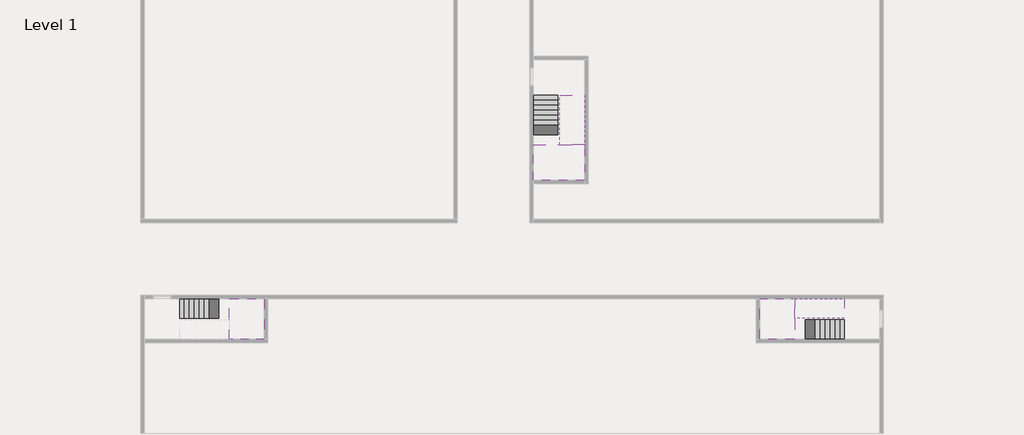
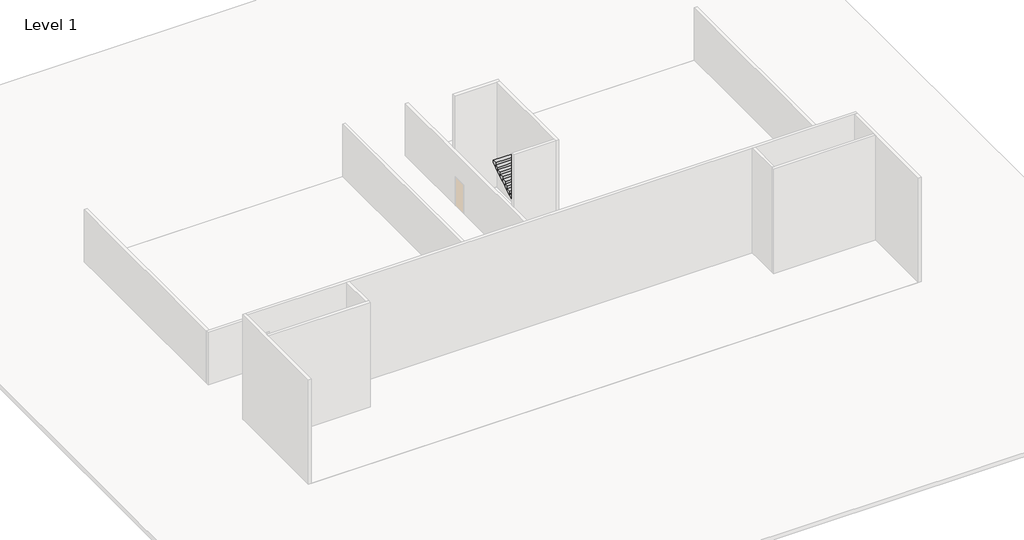
# One storey, part 2 of 2: 5 stair flights, 3 slabs.
"""IFC4 building model written with IfcOpenShell, lengths in millimetres."""

import ifcopenshell
import ifcopenshell.guid

model = None  # the IFC model being written
_history = None  # IfcOwnerHistory: only IFC2X3 demands one
_inside = {}  # id of a spatial element -> (the spatial element, [elements in it])
_under = {}  # id of a project, library or spatial element -> (it, [spatial elements below it])
_declared = {}  # id of a project -> (the project, [libraries it declares])
_typed = {}  # id of a type object -> (the type object, [elements of that type])
_made_of = {}  # id of a material, layer set ... -> (it, [elements and type objects made of it])


def new_model(schema):
    """Start an empty IFC model of exactly this schema.

    Asked for "IFC4X3", IfcOpenShell would pick the latest addendum, in which some entities
    have other attributes; the version numbers below select the first issue.
    IFC2X3 requires an IfcOwnerHistory on every rooted entity: one is made here for all.
    """
    global model, _history
    if schema == "IFC4X3":
        model = ifcopenshell.file(schema_version=(4, 3, 0, 0))
    else:
        model = ifcopenshell.file(schema=schema)
    _inside.clear()
    _under.clear()
    _declared.clear()
    _typed.clear()
    _made_of.clear()
    _history = None
    if model.schema == "IFC2X3":
        org = make("IfcOrganization", Name="unknown")
        user = make(
            "IfcPersonAndOrganization",
            ThePerson=make("IfcPerson", FamilyName="unknown"),
            TheOrganization=org,
        )
        app = make(
            "IfcApplication",
            ApplicationDeveloper=org,
            Version="unknown",
            ApplicationFullName="unknown",
            ApplicationIdentifier="unknown",
        )
        _history = make(
            "IfcOwnerHistory",
            OwningUser=user,
            OwningApplication=app,
            ChangeAction="ADDED",
            CreationDate=0,
        )
    return model


def make(cls, **values):
    """One entity of the class cls with the attributes given. An attribute that is None is left unset."""
    return model.create_entity(
        cls, **{name: value for name, value in values.items() if value is not None}
    )


def rooted(cls, **values):
    """An entity with a GlobalId (a new one), such as an element, a storey or a relation."""
    return make(cls, GlobalId=ifcopenshell.guid.new(), OwnerHistory=_history, **values)


def si_unit(unit_type, name, prefix=None):
    """IfcSIUnit, for example si_unit("LENGTHUNIT", "METRE", prefix="MILLI")."""
    return make("IfcSIUnit", UnitType=unit_type, Prefix=prefix, Name=name)


def assignment(units):
    """IfcUnitAssignment: the units of a project."""
    return None if units is None else make("IfcUnitAssignment", Units=units)


def point(xyz):
    """IfcCartesianPoint."""
    return None if xyz is None else make("IfcCartesianPoint", Coordinates=xyz)


def direction(xyz):
    """IfcDirection."""
    return None if xyz is None else make("IfcDirection", DirectionRatios=xyz)


def frame(location, z_axis=None, x_axis=None):
    """IfcAxis2Placement3D, a coordinate frame: its origin and axes. An axis left out is left unset."""
    return make(
        "IfcAxis2Placement3D",
        Location=point(location),
        Axis=direction(z_axis),
        RefDirection=direction(x_axis),
    )


def origin():
    """The frame at (0, 0, 0) with its axes left unset."""
    return frame((0.0, 0.0, 0.0))


def place(relative_to, where):
    """IfcLocalPlacement: puts the frame where relative to a parent placement (None: the world)."""
    return make(
        "IfcLocalPlacement", PlacementRelTo=relative_to, RelativePlacement=where
    )


def context(
    kind, dimensions, precision=None, world=None, true_north=None, identifier=None
):
    """IfcGeometricRepresentationContext, for example the 3D "Model" context."""
    return make(
        "IfcGeometricRepresentationContext",
        ContextIdentifier=identifier,
        ContextType=kind,
        CoordinateSpaceDimension=dimensions,
        Precision=precision,
        WorldCoordinateSystem=world,
        TrueNorth=true_north,
    )


def project(units=None, contexts=None):
    """IfcProject with its units and contexts."""
    return rooted(
        "IfcProject",
        Name="project",
        RepresentationContexts=contexts,
        UnitsInContext=assignment(units),
    )


def spatial(cls, under=None, at=None, **own):
    """A site, building, storey or space (cls), placed at a placement, below another one or the project."""
    s = rooted(cls, ObjectPlacement=at, **own)
    if under is not None:
        _under.setdefault(under.id(), (under, []))[1].append(s)
    return s


def faces_of(points, faces, orient=None, outer=None):
    """IfcFace entities. A face is a list of loops; a loop is a list of indices into points, from 0.

    orient and outer hold one flag for each loop. By default every Orientation is true, the
    first loop of a face is its IfcFaceOuterBound and the others are IfcFaceBound.
    """
    made = []
    for i, loops in enumerate(faces):
        bounds = []
        for j, loop in enumerate(loops):
            is_outer = j == 0 if outer is None else outer[i][j]
            bounds.append(
                make(
                    "IfcFaceOuterBound" if is_outer else "IfcFaceBound",
                    Bound=make("IfcPolyLoop", Polygon=[points[k] for k in loop]),
                    Orientation=True if orient is None else orient[i][j],
                )
            )
        made.append(make("IfcFace", Bounds=bounds))
    return made


def faceted_brep(points, faces, orient=None, outer=None, voids=None):
    """IfcFacetedBrep: a solid bounded by flat faces; with voids (closed shells), ...WithVoids."""
    shared = [point(p) for p in points]
    hull = make("IfcClosedShell", CfsFaces=faces_of(shared, faces, orient, outer))
    if voids is None:
        return make("IfcFacetedBrep", Outer=hull)
    return make(
        "IfcFacetedBrepWithVoids",
        Outer=hull,
        Voids=[
            make(cls, CfsFaces=faces_of(shared, fs, o, b)) for cls, fs, o, b in voids
        ],
    )


def shape(context_of_items, identifier, shape_type, items):
    """IfcShapeRepresentation: the items that make up one representation, for example the "Body"."""
    return make(
        "IfcShapeRepresentation",
        ContextOfItems=context_of_items,
        RepresentationIdentifier=identifier,
        RepresentationType=shape_type,
        Items=items,
    )


def made_of(thing, what):
    """Note that an element or type object is made of a material, layer set ...; save() writes the relation."""
    if what is not None:
        _made_of.setdefault(what.id(), (what, []))[1].append(thing)
    return thing


def element(
    cls,
    number,
    at=None,
    inside=None,
    cuts=None,
    type_object=None,
    material=None,
    context=None,
    identifier="Body",
    shape_type=None,
    held_by="IfcProductDefinitionShape",
    body=None,
    shapes=None,
    **own,
):
    """One element of the class cls, such as IfcWall. Its Tag is "e" and its number.

    at: its placement. inside: the storey or other place that contains it. cuts: it is an
    opening in that element (IfcRelVoidsElement). A single representation is given by context,
    identifier, shape_type and body (its items); several are given by shapes. held_by: the class
    of the entity that holds the representations. save() writes the other relations.
    """
    e = rooted(cls, Tag="e%d" % number, ObjectPlacement=at, **own)
    if body is not None:
        shapes = [shape(context, identifier, shape_type, body)]
    if shapes is not None:
        e.Representation = make(held_by, Representations=shapes)
    if inside is not None:
        _inside.setdefault(inside.id(), (inside, []))[1].append(e)
    if cuts is not None:
        rooted(
            "IfcRelVoidsElement", RelatingBuildingElement=cuts, RelatedOpeningElement=e
        )
    if type_object is not None:
        _typed.setdefault(type_object.id(), (type_object, []))[1].append(e)
    return made_of(e, material)


def aggregate(whole, parts):
    """IfcRelAggregates: a whole, such as a stair, and the parts it consists of."""
    return rooted("IfcRelAggregates", RelatingObject=whole, RelatedObjects=parts)


def save(model, path):
    """Write the relations noted so far, then the file.

    IfcRelAggregates (storeys below a building ...), IfcRelContainedInSpatialStructure (elements
    in a storey), IfcRelDefinesByType, IfcRelAssociatesMaterial and IfcRelDeclares: one each for
    every whole, place, type object, material and project.
    """
    for whole, parts in _under.values():
        aggregate(whole, parts)
    for where, things in _inside.values():
        rooted(
            "IfcRelContainedInSpatialStructure",
            RelatedElements=things,
            RelatingStructure=where,
        )
    for kind, things in _typed.values():
        rooted("IfcRelDefinesByType", RelatedObjects=things, RelatingType=kind)
    for what, things in _made_of.values():
        rooted("IfcRelAssociatesMaterial", RelatedObjects=things, RelatingMaterial=what)
    for by, libraries in _declared.values():
        rooted("IfcRelDeclares", RelatingContext=by, RelatedDefinitions=libraries)
    model.write(path)


model = new_model("IFC4")

# Units and contexts
model_context = context("Model", 3, world=origin())
ifc_project = project(units=[si_unit("LENGTHUNIT", "METRE", prefix="MILLI")], contexts=[model_context])

# Site, building, storey
site = spatial("IfcSite", under=ifc_project)
building = spatial("IfcBuilding", under=site)
storey = spatial("IfcBuildingStorey", under=building, Name="Level 1", Elevation=0.0)

# Slabs
placement = place(None, origin())
element("IfcSlab", 1, at=placement, inside=storey, context=model_context, shape_type="Brep", body=[
    faceted_brep([(26790.1058784, -34218.09644, 1900.0), (25390.1058784, -34218.09644, 1900.0), (25390.1058784, -34297.4828763, 1900.0), (25390.1058784, -36218.09644, 1900.0), (28290.1058784, -36218.09644, 1900.0), (28290.1058784, -34418.7100038, 1900.0), (28290.1058784, -34218.09644, 1900.0), (26890.1058784, -34218.09644, 1900.0), (26790.1058784, -34218.09644, 1600.0), (26790.1058784, -34218.09644, 1551.0278478), (25390.1058784, -34218.09644, 1551.0278478), (25390.1058784, -34218.09644, 1727.2727273), (25390.1058784, -34297.4828763, 1600.0), (25390.1058784, -36218.09644, 1600.0), (28290.1058784, -36218.09644, 1600.0), (28290.1058784, -34418.7100038, 1600.0), (28290.1058784, -34218.09644, 1723.7551205), (26890.1058784, -34218.09644, 1723.7551205), (26890.1058784, -34218.09644, 1600.0), (26890.1058784, -34418.7100038, 1600.0), (26790.1058784, -34297.4828763, 1600.0)], [[[0, 1, 2, 3, 4, 5, 6, 7]], [[1, 0, 8, 9, 10, 11]], [[1, 11, 10, 12, 13, 3, 2]], [[4, 3, 13, 14]], [[4, 14, 15, 16, 6, 5]], [[7, 6, 16, 17]], [[0, 7, 17, 18, 8]], [[18, 19, 15, 14, 13, 12, 20, 8]], [[19, 18, 17]], [[20, 12, 10, 9]], [[8, 20, 9]], [[15, 19, 17, 16]]]),
])
element("IfcSlab", 2, at=placement, inside=storey, context=model_context, shape_type="Brep", body=[
    faceted_brep([(8190.1058784, -42918.09644, 1900.0), (8190.1058784, -44018.09644, 1900.0), (8190.1058784, -44118.09644, 1900.0), (8190.1058784, -45218.09644, 1900.0), (8390.7194421, -45218.09644, 1900.0), (10190.1058784, -45218.09644, 1900.0), (10190.1058784, -42918.09644, 1900.0), (8269.4923146, -42918.09644, 1900.0), (8190.1058784, -42918.09644, 1727.2727273), (8190.1058784, -42918.09644, 1551.0278478), (8190.1058784, -44018.09644, 1551.0278478), (8190.1058784, -44018.09644, 1600.0), (8190.1058784, -44118.09644, 1600.0), (8190.1058784, -44118.09644, 1723.7551205), (8190.1058784, -45218.09644, 1723.7551205), (8390.7194421, -45218.09644, 1600.0), (10190.1058784, -45218.09644, 1600.0), (10190.1058784, -42918.09644, 1600.0), (8269.4923146, -42918.09644, 1600.0), (8390.7194421, -44118.09644, 1600.0), (8269.4923146, -44018.09644, 1600.0)], [[[0, 1, 2, 3, 4, 5, 6, 7]], [[1, 0, 8, 9, 10, 11]], [[2, 1, 11, 12, 13]], [[3, 2, 13, 14]], [[3, 14, 15, 16, 5, 4]], [[6, 5, 16, 17]], [[9, 8, 0, 7, 6, 17, 18]], [[19, 12, 11, 20, 18, 17, 16, 15]], [[12, 19, 13]], [[18, 20, 10, 9]], [[20, 11, 10]], [[19, 15, 14, 13]]]),
])
element("IfcSlab", 3, at=placement, inside=storey, context=model_context, shape_type="Brep", body=[
    faceted_brep([(40190.1058784, -45218.09644, 1900.0), (40190.1058784, -44118.09644, 1900.0), (40190.1058784, -44018.09644, 1900.0), (40190.1058784, -42918.09644, 1900.0), (39989.4923146, -42918.09644, 1900.0), (38190.1058784, -42918.09644, 1900.0), (38190.1058784, -45218.09644, 1900.0), (40110.7194421, -45218.09644, 1900.0), (40190.1058784, -45218.09644, 1727.2727273), (40190.1058784, -45218.09644, 1551.0278478), (40190.1058784, -44118.09644, 1551.0278478), (40190.1058784, -44118.09644, 1600.0), (40190.1058784, -44018.09644, 1600.0), (40190.1058784, -44018.09644, 1723.7551205), (40190.1058784, -42918.09644, 1723.7551205), (39989.4923146, -42918.09644, 1600.0), (38190.1058784, -42918.09644, 1600.0), (38190.1058784, -45218.09644, 1600.0), (40110.7194421, -45218.09644, 1600.0), (39989.4923146, -44018.09644, 1600.0), (40110.7194421, -44118.09644, 1600.0)], [[[0, 1, 2, 3, 4, 5, 6, 7]], [[1, 0, 8, 9, 10, 11]], [[2, 1, 11, 12, 13]], [[3, 2, 13, 14]], [[3, 14, 15, 16, 5, 4]], [[6, 5, 16, 17]], [[9, 8, 0, 7, 6, 17, 18]], [[19, 12, 11, 20, 18, 17, 16, 15]], [[12, 19, 13]], [[18, 20, 10, 9]], [[20, 11, 10]], [[19, 15, 14, 13]]]),
])

# Stair flights
element("IfcStairFlight", 4, at=placement, inside=storey, context=model_context, shape_type="Brep", body=[
    faceted_brep([(26790.1058784, -31698.09644, 172.7272727), (26790.1058784, -31418.09644, 172.7272727), (25390.1058784, -31418.09644, 172.7272727), (25390.1058784, -31698.09644, 172.7272727), (26790.1058784, -31698.09644, 0.0), (26790.1058784, -31418.09644, 0.0), (25390.1058784, -31418.09644, 0.0), (25390.1058784, -31698.09644, 0.0), (26790.1058784, -31978.09644, 345.4545455), (26790.1058784, -31698.09644, 345.4545455), (25390.1058784, -31698.09644, 345.4545455), (25390.1058784, -31978.09644, 345.4545455), (26790.1058784, -31978.09644, 169.209666), (26790.1058784, -31703.7986657, 0.0), (25390.1058784, -31703.7986657, 0.0), (25390.1058784, -31978.09644, 169.209666), (26790.1058784, -32258.09644, 518.1818182), (26790.1058784, -31978.09644, 518.1818182), (25390.1058784, -31978.09644, 518.1818182), (25390.1058784, -32258.09644, 518.1818182), (26790.1058784, -32258.09644, 341.9369387), (25390.1058784, -32258.09644, 341.9369387), (26790.1058784, -32538.09644, 690.9090909), (26790.1058784, -32258.09644, 690.9090909), (25390.1058784, -32258.09644, 690.9090909), (25390.1058784, -32538.09644, 690.9090909), (26790.1058784, -32538.09644, 514.6642114), (25390.1058784, -32538.09644, 514.6642114), (26790.1058784, -32818.09644, 863.6363636), (26790.1058784, -32538.09644, 863.6363636), (25390.1058784, -32538.09644, 863.6363636), (25390.1058784, -32818.09644, 863.6363636), (26790.1058784, -32818.09644, 687.3914841), (25390.1058784, -32818.09644, 687.3914841), (26790.1058784, -33098.09644, 1036.3636364), (26790.1058784, -32818.09644, 1036.3636364), (25390.1058784, -32818.09644, 1036.3636364), (25390.1058784, -33098.09644, 1036.3636364), (26790.1058784, -33098.09644, 860.1187569), (25390.1058784, -33098.09644, 860.1187569), (26790.1058784, -33378.09644, 1209.0909091), (26790.1058784, -33098.09644, 1209.0909091), (25390.1058784, -33098.09644, 1209.0909091), (25390.1058784, -33378.09644, 1209.0909091), (26790.1058784, -33378.09644, 1032.8460296), (25390.1058784, -33378.09644, 1032.8460296), (26790.1058784, -33658.09644, 1381.8181818), (26790.1058784, -33378.09644, 1381.8181818), (25390.1058784, -33378.09644, 1381.8181818), (25390.1058784, -33658.09644, 1381.8181818), (26790.1058784, -33658.09644, 1205.5733023), (25390.1058784, -33658.09644, 1205.5733023), (26790.1058784, -33938.09644, 1554.5454545), (26790.1058784, -33658.09644, 1554.5454545), (25390.1058784, -33658.09644, 1554.5454545), (25390.1058784, -33938.09644, 1554.5454545), (26790.1058784, -33938.09644, 1378.3005751), (25390.1058784, -33938.09644, 1378.3005751), (26790.1058784, -34218.09644, 1727.2727273), (26790.1058784, -33938.09644, 1727.2727273), (25390.1058784, -33938.09644, 1727.2727273), (25390.1058784, -34218.09644, 1727.2727273), (26790.1058784, -34218.09644, 1600.0), (26790.1058784, -34218.09644, 1551.0278478), (25390.1058784, -34218.09644, 1551.0278478)], [[[0, 1, 2, 3]], [[1, 0, 4, 5]], [[2, 1, 5, 6]], [[3, 2, 6, 7]], [[8, 9, 10, 11]], [[4, 0, 9, 8, 12, 13]], [[0, 3, 10, 9]], [[3, 7, 14, 15, 11, 10]], [[16, 17, 18, 19]], [[17, 16, 20, 12, 8]], [[8, 11, 18, 17]], [[19, 18, 11, 15, 21]], [[22, 23, 24, 25]], [[23, 22, 26, 20, 16]], [[16, 19, 24, 23]], [[25, 24, 19, 21, 27]], [[28, 29, 30, 31]], [[29, 28, 32, 26, 22]], [[22, 25, 30, 29]], [[31, 30, 25, 27, 33]], [[34, 35, 36, 37]], [[35, 34, 38, 32, 28]], [[28, 31, 36, 35]], [[37, 36, 31, 33, 39]], [[40, 41, 42, 43]], [[41, 40, 44, 38, 34]], [[34, 37, 42, 41]], [[43, 42, 37, 39, 45]], [[46, 47, 48, 49]], [[47, 46, 50, 44, 40]], [[40, 43, 48, 47]], [[49, 48, 43, 45, 51]], [[52, 53, 54, 55]], [[53, 52, 56, 50, 46]], [[46, 49, 54, 53]], [[55, 54, 49, 51, 57]], [[58, 59, 60, 61]], [[59, 58, 62, 63, 56, 52]], [[52, 55, 60, 59]], [[61, 60, 55, 57, 64]], [[58, 61, 64, 63, 62]], [[5, 4, 13, 14, 7, 6]], [[14, 13, 12, 20, 26, 32, 38, 44, 50, 56, 63, 64, 57, 51, 45, 39, 33, 27, 21, 15]]]),
])
element("IfcStairFlight", 5, at=placement, inside=storey, context=model_context, shape_type="Brep", body=[
    faceted_brep([(26890.1058784, -33938.09644, 2072.7272727), (26890.1058784, -34218.09644, 2072.7272727), (28290.1058784, -34218.09644, 2072.7272727), (28290.1058784, -33938.09644, 2072.7272727), (26890.1058784, -33938.09644, 1896.4823932), (26890.1058784, -34218.09644, 1723.7551205), (28290.1058784, -34218.09644, 1723.7551205), (28290.1058784, -34218.09644, 1900.0), (28290.1058784, -33938.09644, 1896.4823932), (26890.1058784, -33658.09644, 2245.4545455), (26890.1058784, -33938.09644, 2245.4545455), (28290.1058784, -33938.09644, 2245.4545455), (28290.1058784, -33658.09644, 2245.4545455), (26890.1058784, -33658.09644, 2069.209666), (28290.1058784, -33658.09644, 2069.209666), (26890.1058784, -33378.09644, 2418.1818182), (26890.1058784, -33658.09644, 2418.1818182), (28290.1058784, -33658.09644, 2418.1818182), (28290.1058784, -33378.09644, 2418.1818182), (26890.1058784, -33378.09644, 2241.9369387), (28290.1058784, -33378.09644, 2241.9369387), (26890.1058784, -33098.09644, 2590.9090909), (26890.1058784, -33378.09644, 2590.9090909), (28290.1058784, -33378.09644, 2590.9090909), (28290.1058784, -33098.09644, 2590.9090909), (26890.1058784, -33098.09644, 2414.6642114), (28290.1058784, -33098.09644, 2414.6642114), (26890.1058784, -32818.09644, 2763.6363636), (26890.1058784, -33098.09644, 2763.6363636), (28290.1058784, -33098.09644, 2763.6363636), (28290.1058784, -32818.09644, 2763.6363636), (26890.1058784, -32818.09644, 2587.3914841), (28290.1058784, -32818.09644, 2587.3914841), (26890.1058784, -32538.09644, 2936.3636364), (26890.1058784, -32818.09644, 2936.3636364), (28290.1058784, -32818.09644, 2936.3636364), (28290.1058784, -32538.09644, 2936.3636364), (26890.1058784, -32538.09644, 2760.1187569), (28290.1058784, -32538.09644, 2760.1187569), (26890.1058784, -32258.09644, 3109.0909091), (26890.1058784, -32538.09644, 3109.0909091), (28290.1058784, -32538.09644, 3109.0909091), (28290.1058784, -32258.09644, 3109.0909091), (26890.1058784, -32258.09644, 2932.8460296), (28290.1058784, -32258.09644, 2932.8460296), (26890.1058784, -31978.09644, 3281.8181818), (26890.1058784, -32258.09644, 3281.8181818), (28290.1058784, -32258.09644, 3281.8181818), (28290.1058784, -31978.09644, 3281.8181818), (26890.1058784, -31978.09644, 3105.5733023), (28290.1058784, -31978.09644, 3105.5733023), (26890.1058784, -31698.09644, 3454.5454545), (26890.1058784, -31978.09644, 3454.5454545), (28290.1058784, -31978.09644, 3454.5454545), (28290.1058784, -31698.09644, 3454.5454545), (26890.1058784, -31698.09644, 3278.3005751), (28290.1058784, -31698.09644, 3278.3005751), (26890.1058784, -31418.09644, 3627.2727273), (26890.1058784, -31698.09644, 3627.2727273), (28290.1058784, -31698.09644, 3627.2727273), (28290.1058784, -31418.09644, 3627.2727273), (26890.1058784, -31418.09644, 3451.0278478), (28290.1058784, -31418.09644, 3451.0278478)], [[[0, 1, 2, 3]], [[1, 0, 4, 5]], [[2, 1, 5, 6, 7]], [[3, 2, 7, 6, 8]], [[9, 10, 11, 12]], [[10, 9, 13, 4, 0]], [[11, 10, 0, 3]], [[12, 11, 3, 8, 14]], [[15, 16, 17, 18]], [[16, 15, 19, 13, 9]], [[17, 16, 9, 12]], [[18, 17, 12, 14, 20]], [[21, 22, 23, 24]], [[22, 21, 25, 19, 15]], [[23, 22, 15, 18]], [[24, 23, 18, 20, 26]], [[27, 28, 29, 30]], [[28, 27, 31, 25, 21]], [[29, 28, 21, 24]], [[30, 29, 24, 26, 32]], [[33, 34, 35, 36]], [[34, 33, 37, 31, 27]], [[35, 34, 27, 30]], [[36, 35, 30, 32, 38]], [[39, 40, 41, 42]], [[40, 39, 43, 37, 33]], [[41, 40, 33, 36]], [[42, 41, 36, 38, 44]], [[45, 46, 47, 48]], [[46, 45, 49, 43, 39]], [[47, 46, 39, 42]], [[48, 47, 42, 44, 50]], [[51, 52, 53, 54]], [[52, 51, 55, 49, 45]], [[53, 52, 45, 48]], [[54, 53, 48, 50, 56]], [[57, 58, 59, 60]], [[58, 57, 61, 55, 51]], [[59, 58, 51, 54]], [[60, 59, 54, 56, 62]], [[57, 60, 62, 61]], [[5, 4, 13, 19, 25, 31, 37, 43, 49, 55, 61, 62, 56, 50, 44, 38, 32, 26, 20, 14, 8, 6]]]),
])
element("IfcStairFlight", 6, at=placement, inside=storey, context=model_context, shape_type="Brep", body=[
    faceted_brep([(5670.1058784, -42918.09644, 172.7272727), (5390.1058784, -42918.09644, 172.7272727), (5390.1058784, -44018.09644, 172.7272727), (5670.1058784, -44018.09644, 172.7272727), (5670.1058784, -42918.09644, 0.0), (5390.1058784, -42918.09644, 0.0), (5390.1058784, -44018.09644, 0.0), (5670.1058784, -44018.09644, 0.0), (5950.1058784, -42918.09644, 345.4545455), (5670.1058784, -42918.09644, 345.4545455), (5670.1058784, -44018.09644, 345.4545455), (5950.1058784, -44018.09644, 345.4545455), (5950.1058784, -42918.09644, 169.209666), (5675.8081041, -42918.09644, 0.0), (5675.8081041, -44018.09644, 0.0), (5950.1058784, -44018.09644, 169.209666), (6230.1058784, -42918.09644, 518.1818182), (5950.1058784, -42918.09644, 518.1818182), (5950.1058784, -44018.09644, 518.1818182), (6230.1058784, -44018.09644, 518.1818182), (6230.1058784, -42918.09644, 341.9369387), (6230.1058784, -44018.09644, 341.9369387), (6510.1058784, -42918.09644, 690.9090909), (6230.1058784, -42918.09644, 690.9090909), (6230.1058784, -44018.09644, 690.9090909), (6510.1058784, -44018.09644, 690.9090909), (6510.1058784, -42918.09644, 514.6642114), (6510.1058784, -44018.09644, 514.6642114), (6790.1058784, -42918.09644, 863.6363636), (6510.1058784, -42918.09644, 863.6363636), (6510.1058784, -44018.09644, 863.6363636), (6790.1058784, -44018.09644, 863.6363636), (6790.1058784, -42918.09644, 687.3914841), (6790.1058784, -44018.09644, 687.3914841), (7070.1058784, -42918.09644, 1036.3636364), (6790.1058784, -42918.09644, 1036.3636364), (6790.1058784, -44018.09644, 1036.3636364), (7070.1058784, -44018.09644, 1036.3636364), (7070.1058784, -42918.09644, 860.1187569), (7070.1058784, -44018.09644, 860.1187569), (7350.1058784, -42918.09644, 1209.0909091), (7070.1058784, -42918.09644, 1209.0909091), (7070.1058784, -44018.09644, 1209.0909091), (7350.1058784, -44018.09644, 1209.0909091), (7350.1058784, -42918.09644, 1032.8460296), (7350.1058784, -44018.09644, 1032.8460296), (7630.1058784, -42918.09644, 1381.8181818), (7350.1058784, -42918.09644, 1381.8181818), (7350.1058784, -44018.09644, 1381.8181818), (7630.1058784, -44018.09644, 1381.8181818), (7630.1058784, -42918.09644, 1205.5733023), (7630.1058784, -44018.09644, 1205.5733023), (7910.1058784, -42918.09644, 1554.5454545), (7630.1058784, -42918.09644, 1554.5454545), (7630.1058784, -44018.09644, 1554.5454545), (7910.1058784, -44018.09644, 1554.5454545), (7910.1058784, -42918.09644, 1378.3005751), (7910.1058784, -44018.09644, 1378.3005751), (8190.1058784, -42918.09644, 1727.2727273), (7910.1058784, -42918.09644, 1727.2727273), (7910.1058784, -44018.09644, 1727.2727273), (8190.1058784, -44018.09644, 1727.2727273), (8190.1058784, -42918.09644, 1551.0278478), (8190.1058784, -44018.09644, 1551.0278478), (8190.1058784, -44018.09644, 1600.0)], [[[0, 1, 2, 3]], [[1, 0, 4, 5]], [[2, 1, 5, 6]], [[3, 2, 6, 7]], [[8, 9, 10, 11]], [[4, 0, 9, 8, 12, 13]], [[0, 3, 10, 9]], [[3, 7, 14, 15, 11, 10]], [[16, 17, 18, 19]], [[17, 16, 20, 12, 8]], [[8, 11, 18, 17]], [[19, 18, 11, 15, 21]], [[22, 23, 24, 25]], [[23, 22, 26, 20, 16]], [[16, 19, 24, 23]], [[25, 24, 19, 21, 27]], [[28, 29, 30, 31]], [[29, 28, 32, 26, 22]], [[22, 25, 30, 29]], [[31, 30, 25, 27, 33]], [[34, 35, 36, 37]], [[35, 34, 38, 32, 28]], [[28, 31, 36, 35]], [[37, 36, 31, 33, 39]], [[40, 41, 42, 43]], [[41, 40, 44, 38, 34]], [[34, 37, 42, 41]], [[43, 42, 37, 39, 45]], [[46, 47, 48, 49]], [[47, 46, 50, 44, 40]], [[40, 43, 48, 47]], [[49, 48, 43, 45, 51]], [[52, 53, 54, 55]], [[53, 52, 56, 50, 46]], [[46, 49, 54, 53]], [[55, 54, 49, 51, 57]], [[58, 59, 60, 61]], [[59, 58, 62, 56, 52]], [[52, 55, 60, 59]], [[61, 60, 55, 57, 63, 64]], [[58, 61, 64, 63, 62]], [[5, 4, 13, 14, 7, 6]], [[14, 13, 12, 20, 26, 32, 38, 44, 50, 56, 62, 63, 57, 51, 45, 39, 33, 27, 21, 15]]]),
])
element("IfcStairFlight", 7, at=placement, inside=storey, context=model_context, shape_type="Brep", body=[
    faceted_brep([(42710.1058784, -45218.09644, 172.7272727), (42990.1058784, -45218.09644, 172.7272727), (42990.1058784, -44118.09644, 172.7272727), (42710.1058784, -44118.09644, 172.7272727), (42710.1058784, -45218.09644, 0.0), (42990.1058784, -45218.09644, 0.0), (42990.1058784, -44118.09644, 0.0), (42710.1058784, -44118.09644, 0.0), (42430.1058784, -45218.09644, 345.4545455), (42710.1058784, -45218.09644, 345.4545455), (42710.1058784, -44118.09644, 345.4545455), (42430.1058784, -44118.09644, 345.4545455), (42430.1058784, -45218.09644, 169.209666), (42704.4036527, -45218.09644, 0.0), (42704.4036527, -44118.09644, 0.0), (42430.1058784, -44118.09644, 169.209666), (42150.1058784, -45218.09644, 518.1818182), (42430.1058784, -45218.09644, 518.1818182), (42430.1058784, -44118.09644, 518.1818182), (42150.1058784, -44118.09644, 518.1818182), (42150.1058784, -45218.09644, 341.9369387), (42150.1058784, -44118.09644, 341.9369387), (41870.1058784, -45218.09644, 690.9090909), (42150.1058784, -45218.09644, 690.9090909), (42150.1058784, -44118.09644, 690.9090909), (41870.1058784, -44118.09644, 690.9090909), (41870.1058784, -45218.09644, 514.6642114), (41870.1058784, -44118.09644, 514.6642114), (41590.1058784, -45218.09644, 863.6363636), (41870.1058784, -45218.09644, 863.6363636), (41870.1058784, -44118.09644, 863.6363636), (41590.1058784, -44118.09644, 863.6363636), (41590.1058784, -45218.09644, 687.3914841), (41590.1058784, -44118.09644, 687.3914841), (41310.1058784, -45218.09644, 1036.3636364), (41590.1058784, -45218.09644, 1036.3636364), (41590.1058784, -44118.09644, 1036.3636364), (41310.1058784, -44118.09644, 1036.3636364), (41310.1058784, -45218.09644, 860.1187569), (41310.1058784, -44118.09644, 860.1187569), (41030.1058784, -45218.09644, 1209.0909091), (41310.1058784, -45218.09644, 1209.0909091), (41310.1058784, -44118.09644, 1209.0909091), (41030.1058784, -44118.09644, 1209.0909091), (41030.1058784, -45218.09644, 1032.8460296), (41030.1058784, -44118.09644, 1032.8460296), (40750.1058784, -45218.09644, 1381.8181818), (41030.1058784, -45218.09644, 1381.8181818), (41030.1058784, -44118.09644, 1381.8181818), (40750.1058784, -44118.09644, 1381.8181818), (40750.1058784, -45218.09644, 1205.5733023), (40750.1058784, -44118.09644, 1205.5733023), (40470.1058784, -45218.09644, 1554.5454545), (40750.1058784, -45218.09644, 1554.5454545), (40750.1058784, -44118.09644, 1554.5454545), (40470.1058784, -44118.09644, 1554.5454545), (40470.1058784, -45218.09644, 1378.3005751), (40470.1058784, -44118.09644, 1378.3005751), (40190.1058784, -45218.09644, 1727.2727273), (40470.1058784, -45218.09644, 1727.2727273), (40470.1058784, -44118.09644, 1727.2727273), (40190.1058784, -44118.09644, 1727.2727273), (40190.1058784, -45218.09644, 1551.0278478), (40190.1058784, -44118.09644, 1551.0278478), (40190.1058784, -44118.09644, 1600.0)], [[[0, 1, 2, 3]], [[1, 0, 4, 5]], [[2, 1, 5, 6]], [[3, 2, 6, 7]], [[8, 9, 10, 11]], [[4, 0, 9, 8, 12, 13]], [[0, 3, 10, 9]], [[3, 7, 14, 15, 11, 10]], [[16, 17, 18, 19]], [[17, 16, 20, 12, 8]], [[8, 11, 18, 17]], [[19, 18, 11, 15, 21]], [[22, 23, 24, 25]], [[23, 22, 26, 20, 16]], [[16, 19, 24, 23]], [[25, 24, 19, 21, 27]], [[28, 29, 30, 31]], [[29, 28, 32, 26, 22]], [[22, 25, 30, 29]], [[31, 30, 25, 27, 33]], [[34, 35, 36, 37]], [[35, 34, 38, 32, 28]], [[28, 31, 36, 35]], [[37, 36, 31, 33, 39]], [[40, 41, 42, 43]], [[41, 40, 44, 38, 34]], [[34, 37, 42, 41]], [[43, 42, 37, 39, 45]], [[46, 47, 48, 49]], [[47, 46, 50, 44, 40]], [[40, 43, 48, 47]], [[49, 48, 43, 45, 51]], [[52, 53, 54, 55]], [[53, 52, 56, 50, 46]], [[46, 49, 54, 53]], [[55, 54, 49, 51, 57]], [[58, 59, 60, 61]], [[59, 58, 62, 56, 52]], [[52, 55, 60, 59]], [[61, 60, 55, 57, 63, 64]], [[58, 61, 64, 63, 62]], [[5, 4, 13, 14, 7, 6]], [[14, 13, 12, 20, 26, 32, 38, 44, 50, 56, 62, 63, 57, 51, 45, 39, 33, 27, 21, 15]]]),
])
element("IfcStairFlight", 8, at=placement, inside=storey, context=model_context, shape_type="Brep", body=[
    faceted_brep([(40470.1058784, -42918.09644, 2072.7272727), (40190.1058784, -42918.09644, 2072.7272727), (40190.1058784, -44018.09644, 2072.7272727), (40470.1058784, -44018.09644, 2072.7272727), (40470.1058784, -42918.09644, 1896.4823932), (40190.1058784, -42918.09644, 1723.7551205), (40190.1058784, -42918.09644, 1900.0), (40190.1058784, -44018.09644, 1723.7551205), (40470.1058784, -44018.09644, 1896.4823932), (40750.1058784, -42918.09644, 2245.4545455), (40470.1058784, -42918.09644, 2245.4545455), (40470.1058784, -44018.09644, 2245.4545455), (40750.1058784, -44018.09644, 2245.4545455), (40750.1058784, -42918.09644, 2069.209666), (40750.1058784, -44018.09644, 2069.209666), (41030.1058784, -42918.09644, 2418.1818182), (40750.1058784, -42918.09644, 2418.1818182), (40750.1058784, -44018.09644, 2418.1818182), (41030.1058784, -44018.09644, 2418.1818182), (41030.1058784, -42918.09644, 2241.9369387), (41030.1058784, -44018.09644, 2241.9369387), (41310.1058784, -42918.09644, 2590.9090909), (41030.1058784, -42918.09644, 2590.9090909), (41030.1058784, -44018.09644, 2590.9090909), (41310.1058784, -44018.09644, 2590.9090909), (41310.1058784, -42918.09644, 2414.6642114), (41310.1058784, -44018.09644, 2414.6642114), (41590.1058784, -42918.09644, 2763.6363636), (41310.1058784, -42918.09644, 2763.6363636), (41310.1058784, -44018.09644, 2763.6363636), (41590.1058784, -44018.09644, 2763.6363636), (41590.1058784, -42918.09644, 2587.3914841), (41590.1058784, -44018.09644, 2587.3914841), (41870.1058784, -42918.09644, 2936.3636364), (41590.1058784, -42918.09644, 2936.3636364), (41590.1058784, -44018.09644, 2936.3636364), (41870.1058784, -44018.09644, 2936.3636364), (41870.1058784, -42918.09644, 2760.1187569), (41870.1058784, -44018.09644, 2760.1187569), (42150.1058784, -42918.09644, 3109.0909091), (41870.1058784, -42918.09644, 3109.0909091), (41870.1058784, -44018.09644, 3109.0909091), (42150.1058784, -44018.09644, 3109.0909091), (42150.1058784, -42918.09644, 2932.8460296), (42150.1058784, -44018.09644, 2932.8460296), (42430.1058784, -42918.09644, 3281.8181818), (42150.1058784, -42918.09644, 3281.8181818), (42150.1058784, -44018.09644, 3281.8181818), (42430.1058784, -44018.09644, 3281.8181818), (42430.1058784, -42918.09644, 3105.5733023), (42430.1058784, -44018.09644, 3105.5733023), (42710.1058784, -42918.09644, 3454.5454545), (42430.1058784, -42918.09644, 3454.5454545), (42430.1058784, -44018.09644, 3454.5454545), (42710.1058784, -44018.09644, 3454.5454545), (42710.1058784, -42918.09644, 3278.3005751), (42710.1058784, -44018.09644, 3278.3005751), (42990.1058784, -42918.09644, 3627.2727273), (42710.1058784, -42918.09644, 3627.2727273), (42710.1058784, -44018.09644, 3627.2727273), (42990.1058784, -44018.09644, 3627.2727273), (42990.1058784, -42918.09644, 3451.0278478), (42990.1058784, -44018.09644, 3451.0278478)], [[[0, 1, 2, 3]], [[1, 0, 4, 5, 6]], [[2, 1, 6, 5, 7]], [[3, 2, 7, 8]], [[9, 10, 11, 12]], [[10, 9, 13, 4, 0]], [[11, 10, 0, 3]], [[12, 11, 3, 8, 14]], [[15, 16, 17, 18]], [[16, 15, 19, 13, 9]], [[17, 16, 9, 12]], [[18, 17, 12, 14, 20]], [[21, 22, 23, 24]], [[22, 21, 25, 19, 15]], [[23, 22, 15, 18]], [[24, 23, 18, 20, 26]], [[27, 28, 29, 30]], [[28, 27, 31, 25, 21]], [[29, 28, 21, 24]], [[30, 29, 24, 26, 32]], [[33, 34, 35, 36]], [[34, 33, 37, 31, 27]], [[35, 34, 27, 30]], [[36, 35, 30, 32, 38]], [[39, 40, 41, 42]], [[40, 39, 43, 37, 33]], [[41, 40, 33, 36]], [[42, 41, 36, 38, 44]], [[45, 46, 47, 48]], [[46, 45, 49, 43, 39]], [[47, 46, 39, 42]], [[48, 47, 42, 44, 50]], [[51, 52, 53, 54]], [[52, 51, 55, 49, 45]], [[53, 52, 45, 48]], [[54, 53, 48, 50, 56]], [[57, 58, 59, 60]], [[58, 57, 61, 55, 51]], [[59, 58, 51, 54]], [[60, 59, 54, 56, 62]], [[57, 60, 62, 61]], [[5, 4, 13, 19, 25, 31, 37, 43, 49, 55, 61, 62, 56, 50, 44, 38, 32, 26, 20, 14, 8, 7]]]),
])

save(model, "model.ifc")
